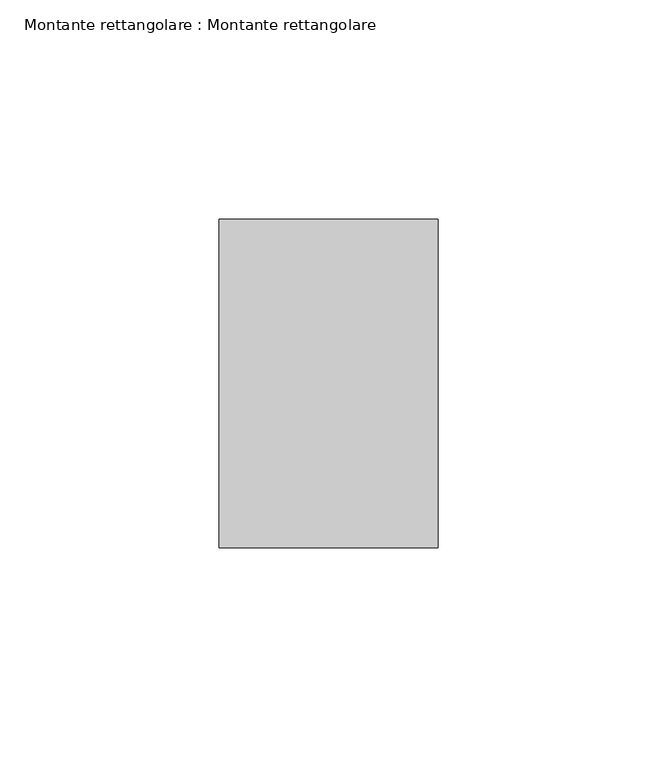
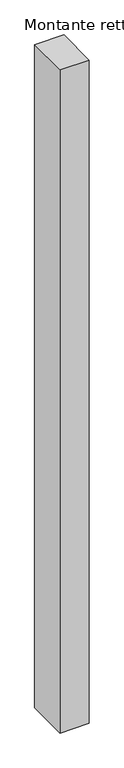
"""IFC4 building model written with IfcOpenShell, lengths in millimetres: member geometry, Montante rettangolare : Montante rettangolare."""

from ifc_helpers import new_model, si_unit, frame, origin, place, context, project, spatial, polyline, outline, extrude, source, transform, mapped, element, save


def montante_rettangolare_montante_rettangolare_476af823(model_context):
    return source(origin(), model_context, "Body", "SweptSolid", [
        extrude(outline(polyline([(25.0, 37.5), (25.0, -37.5), (-25.0, -37.5), (-25.0, 37.5), (25.0, 37.5)])), frame((0.0, 0.0, -1200.0), z_axis=(0.0, 0.0, 1.0), x_axis=(1.0, 0.0, 0.0)), (0.0, 0.0, 1.0), 1200.0),
    ])


if __name__ == "__main__":
    model = new_model("IFC4")
    model_context = context("Model", 3, world=origin())
    ifc_project = project(units=[si_unit("LENGTHUNIT", "METRE", prefix="MILLI")], contexts=[model_context])
    site = spatial("IfcSite", under=ifc_project)
    building = spatial("IfcBuilding", under=site)
    placement = place(None, origin())
    montante_rettangolare_montante_rettangolare_shape = montante_rettangolare_montante_rettangolare_476af823(model_context)
    element("IfcMember", 1, ObjectType="Montante rettangolare : Montante rettangolare", at=placement, inside=building, context=model_context, shape_type="MappedRepresentation", body=[
        mapped(montante_rettangolare_montante_rettangolare_shape, transform((0.0, 0.0, 0.0), x_axis=(1.0, 0.0, 0.0), y_axis=(0.0, 1.0, 0.0), z_axis=(0.0, 0.0, 1.0))),
    ])
    save(model, "model.ifc")
